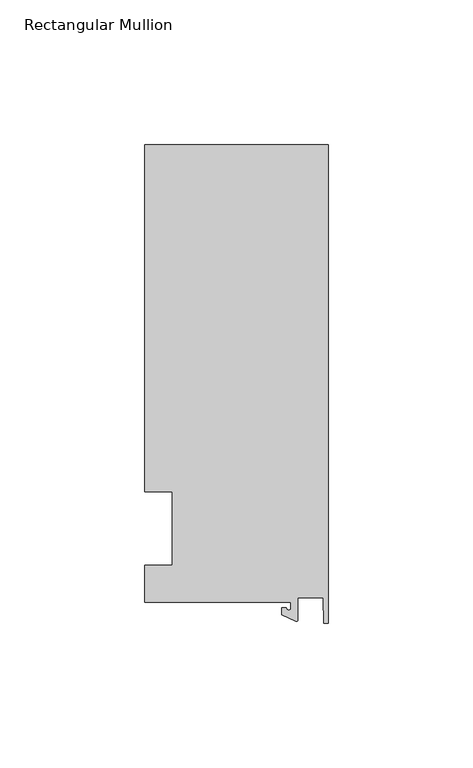
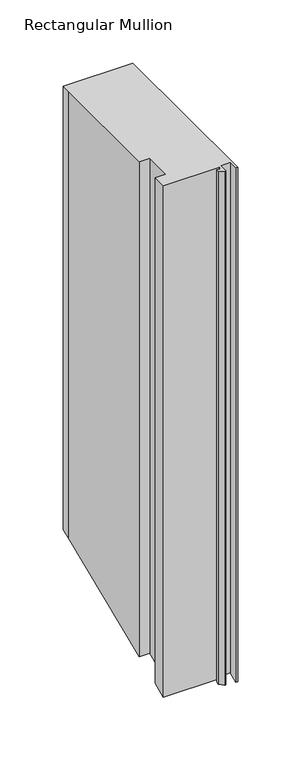
"""IFC4 building model written with IfcOpenShell, lengths in millimetres: member geometry, Rectangular Mullion."""

from ifc_helpers import new_model, si_unit, frame, origin, place, context, project, spatial, polyline, circle_curve, ellipse_curve, source, transform, mapped, element, save
from ifc_brep_helpers import plane_surface, cylinder_surface, revolved_surface, advanced_brep


def rectangular_mullion_cf75c108(model_context):
    return source(origin(), model_context, "Body", "AdvancedBrep", [
        advanced_brep(
        [(-12.8216721, -25.5984375, 0.0), (-12.8216721, -27.5208534, 0.0), (-14.4091721, -27.5208534, 0.0), (-15.9966721, -27.5208534, 0.0), (-15.9966721, -29.8830527, 0.0), (-11.1567622, -32.1399398, 0.0), (-10.4340721, -31.6795354, 0.0), (-10.4340721, -23.9227662, 0.0), (-1.7144124, -23.9227662, 0.0), (-1.5566453, -32.810012, 0.0), (0.0, -32.810012, 0.0), (0.0, 132.822512, 0.0), (-63.5, 132.822512, 0.0), (-63.5, 125.075512, 0.0), (-63.5, 12.7, 0.0), (-53.975, 12.7, 0.0), (-53.975, -12.7, 0.0), (-63.5, -12.7, 0.0), (-63.5, -25.5984375, 0.0), (-12.8216721, -25.5984375, -493.20322), (-12.8216721, -27.5208534, -493.9995107), (-14.4091721, -27.5208534, -493.9995107), (-15.9966721, -27.5208534, -493.9995107), (-15.9966721, -29.8830527, -494.9779657), (-11.1567622, -32.1399398, -495.912799), (-10.4340721, -31.6795354, -495.7220932), (-10.4340721, -23.9227662, -492.5091342), (-1.7144124, -23.9227662, -492.5091342), (-1.5566453, -32.810012, -496.1903519), (0.0, -32.810012, -496.1903519), (0.0, 132.822512, -427.5831141), (-63.5, 132.822512, -427.5831141), (-63.5, 125.075512, -430.7920266), (-63.5, 12.7, -477.3394878), (-53.975, 12.7, -477.3394878), (-53.975, -12.7, -487.8605122), (-63.5, -12.7, -487.8605122), (-63.5, -25.5984375, -493.20322)],
        [
            (0, 1),
            (1, 2, circle_curve(frame((-13.6154221, -27.5208534, 0.0), z_axis=(0.0, 0.0, -1.0), x_axis=(-1.0, 0.0, 0.0)), 0.79375)),
            (2, 3),
            (3, 4),
            (4, 5),
            (5, 6, circle_curve(frame((-10.9420721, -31.6795354, 0.0), z_axis=(0.0, 0.0, 1.0), x_axis=(-1.0, 0.0, 0.0)), 0.508)),
            (6, 7),
            (7, 8),
            (8, 9),
            (9, 10),
            (10, 11),
            (11, 12),
            (12, 13),
            (13, 14),
            (14, 15),
            (15, 16),
            (16, 17),
            (17, 18),
            (18, 0),
            (0, 19),
            (19, 20),
            (20, 1),
            (20, 21, ellipse_curve(frame((-13.6154221, -27.5208534, -493.9995107), z_axis=(0.0, 0.38268343236508895, -0.9238795325112871), x_axis=(0.0, -0.923879532511287, -0.3826834323650889)), 0.8591488, 0.79375)),
            (21, 2),
            (21, 22),
            (22, 3),
            (22, 23),
            (23, 4),
            (23, 24),
            (24, 5),
            (24, 25, ellipse_curve(frame((-10.9420721, -31.6795354, -495.7220932), z_axis=(0.0, -0.38268343236508895, 0.9238795325112871), x_axis=(0.0, 0.923879532511287, 0.3826834323650889)), 0.5498552, 0.508)),
            (25, 6),
            (25, 26),
            (26, 7),
            (26, 27),
            (27, 8),
            (27, 28),
            (28, 9),
            (28, 29),
            (29, 10),
            (29, 30),
            (30, 11),
            (30, 31),
            (31, 12),
            (31, 32),
            (32, 13),
            (32, 33),
            (33, 14),
            (33, 34),
            (34, 15),
            (34, 35),
            (35, 16),
            (35, 36),
            (36, 17),
            (36, 37),
            (37, 18),
            (37, 19),
        ],
        [
            plane_surface(frame((0.0, -147.2211591, 0.0), z_axis=(0.0, 0.0, 1.0), x_axis=(-1.0, 0.0, 0.0))),
            plane_surface(frame((-12.8216721, -25.5984375, 0.0), z_axis=(-1.0, 0.0, 0.0), x_axis=(0.0, 0.0, -1.0))),
            revolved_surface(polyline([(-14.4091721, -27.5208534, -494.3282927116963), (-14.4091721, -27.5208534, 0.0)]), (-13.6154221, -27.5208534, 0.0), (0.0, 0.0, -1.0)),
            plane_surface(frame((-14.4091721, -27.5208534, 0.0), z_axis=(0.0, 1.0, 0.0), x_axis=(0.0, 0.0, -1.0))),
            plane_surface(frame((-15.9966721, -27.5208534, 0.0), z_axis=(-1.0, 0.0, 0.0), x_axis=(0.0, 0.0, -1.0))),
            plane_surface(frame((-15.9966721, -29.8830527, 0.0), z_axis=(-0.4226182617406985, -0.9063077870366505, 0.0), x_axis=(0.0, 0.0, -1.0))),
            cylinder_surface(frame((-10.9420721, -31.6795354, 0.0), z_axis=(0.0, 0.0, 1.0), x_axis=(-1.0, 0.0, 0.0)), 0.508),
            plane_surface(frame((-10.4340721, -31.6795354, 0.0), z_axis=(1.0, 0.0, 0.0), x_axis=(0.0, 0.0, -1.0))),
            plane_surface(frame((-10.4340721, -23.9227662, 0.0), z_axis=(0.0, -1.0, 0.0), x_axis=(0.0, 0.0, -1.0))),
            plane_surface(frame((-1.7144124, -23.9227662, 0.0), z_axis=(-0.9998424690407919, -0.017749284560600327, 0.0), x_axis=(0.0, 0.0, -1.0))),
            plane_surface(frame((-1.5566453, -32.810012, 0.0), z_axis=(0.0, -1.0, 0.0), x_axis=(0.0, 0.0, -1.0))),
            plane_surface(frame((0.0, -32.810012, 0.0), z_axis=(1.0, 0.0, 0.0), x_axis=(0.0, 0.0, -1.0))),
            plane_surface(frame((0.0, 132.822512, 0.0), z_axis=(0.0, 1.0, 0.0), x_axis=(0.0, 0.0, -1.0))),
            plane_surface(frame((-63.5, 132.822512, 0.0), z_axis=(-1.0, 0.0, 0.0), x_axis=(0.0, 0.0, -1.0))),
            plane_surface(frame((-63.5, 125.075512, 0.0), z_axis=(-1.0, 0.0, 0.0), x_axis=(0.0, 0.0, -1.0))),
            plane_surface(frame((-63.5, 12.7, 0.0), z_axis=(0.0, -1.0, 0.0), x_axis=(0.0, 0.0, -1.0))),
            plane_surface(frame((-53.975, 12.7, 0.0), z_axis=(-1.0, 0.0, 0.0), x_axis=(0.0, 0.0, -1.0))),
            plane_surface(frame((-53.975, -12.7, 0.0), z_axis=(0.0, 1.0, 0.0), x_axis=(0.0, 0.0, -1.0))),
            plane_surface(frame((-63.5, -12.7, 0.0), z_axis=(-1.0, 0.0, 0.0), x_axis=(0.0, 0.0, -1.0))),
            plane_surface(frame((-63.5, -25.5984375, 0.0), z_axis=(0.0, -1.0, 0.0), x_axis=(0.0, 0.0, -1.0))),
            plane_surface(frame((-304.8, 0.0, -482.6), z_axis=(0.0, 0.38268343236508895, -0.9238795325112871), x_axis=(0.0, 0.9238795325112871, 0.38268343236508895))),
        ],
        [
            (0, [[1, 2, 3, 4, 5, 6, 7, 8, 9, 10, 11, 12, 13, 14, 15, 16, 17, 18, 19]]),
            (1, [[-1, 20, 21, 22]]),
            (2, [[-2, -22, 23, 24]]),
            (3, [[-3, -24, 25, 26]]),
            (4, [[-4, -26, 27, 28]]),
            (5, [[-5, -28, 29, 30]]),
            (6, [[-6, -30, 31, 32]]),
            (7, [[-7, -32, 33, 34]]),
            (8, [[-8, -34, 35, 36]]),
            (9, [[-9, -36, 37, 38]]),
            (10, [[-10, -38, 39, 40]]),
            (11, [[-11, -40, 41, 42]]),
            (12, [[-12, -42, 43, 44]]),
            (13, [[-13, -44, 45, 46]]),
            (14, [[-14, -46, 47, 48]]),
            (15, [[-15, -48, 49, 50]]),
            (16, [[-16, -50, 51, 52]]),
            (17, [[-17, -52, 53, 54]]),
            (18, [[-18, -54, 55, 56]]),
            (19, [[-19, -56, 57, -20]]),
            (20, [[-57, -55, -53, -51, -49, -47, -45, -43, -41, -39, -37, -35, -33, -31, -29, -27, -25, -23, -21]]),
        ],
    ),
    ])


if __name__ == "__main__":
    model = new_model("IFC4")
    model_context = context("Model", 3, world=origin())
    ifc_project = project(units=[si_unit("LENGTHUNIT", "METRE", prefix="MILLI")], contexts=[model_context])
    site = spatial("IfcSite", under=ifc_project)
    building = spatial("IfcBuilding", under=site)
    placement = place(None, origin())
    rectangular_mullion_shape = rectangular_mullion_cf75c108(model_context)
    element("IfcMember", 1, ObjectType="Rectangular Mullion", at=placement, inside=building, context=model_context, shape_type="MappedRepresentation", body=[
        mapped(rectangular_mullion_shape, transform((0.0, 0.0, 0.0), x_axis=(1.0, 0.0, 0.0), y_axis=(0.0, 1.0, 0.0), z_axis=(0.0, 0.0, 1.0))),
    ])
    save(model, "model.ifc")
